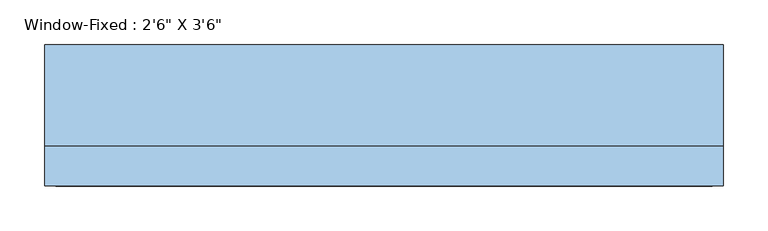
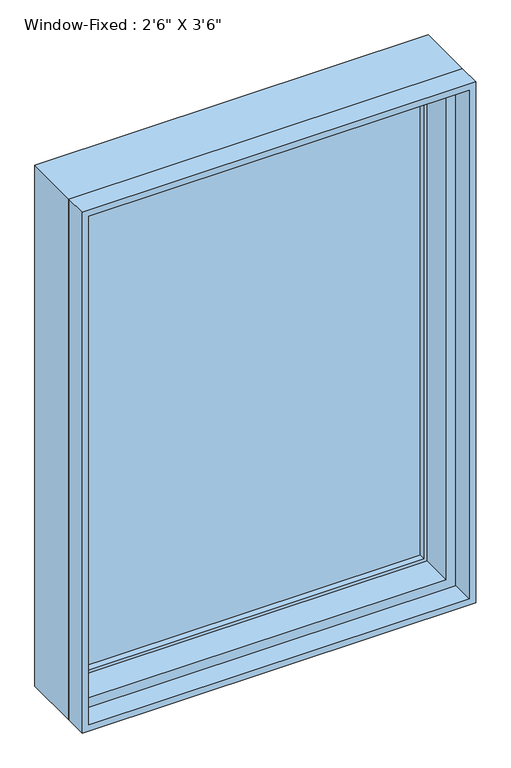
"""IFC4 building model written with IfcOpenShell, lengths in millimetres: window geometry."""

from ifc_helpers import new_model, si_unit, frame, origin, place, context, project, spatial, polyline, outline, extrude, faceted_brep, source, transform, mapped, element, save


def window_ac8965a0(model_context):
    return source(origin(), model_context, "Body", "SolidModel", [
        extrude(outline(polyline([(342.9, 69.85), (342.9, 63.5), (-342.9, 63.5), (-342.9, 69.85), (342.9, 69.85)])), frame((0.0, 0.0, 952.5), z_axis=(0.0, 0.0, 1.0), x_axis=(1.0, 0.0, 0.0)), (0.0, 0.0, 1.0), 990.6),
        extrude(outline(polyline([(-342.9, 50.8), (-342.9, 57.15), (342.9, 57.15), (342.9, 50.8), (-342.9, 50.8)])), frame((0.0, 0.0, 952.5), z_axis=(0.0, 0.0, 1.0), x_axis=(1.0, 0.0, 0.0)), (0.0, 0.0, 1.0), 990.6),
        extrude(outline(polyline([(927.1, 368.3), (1968.5, 368.3), (1968.5, -368.3), (927.1, -368.3), (927.1, 368.3)]), holes=[polyline([(952.5, -342.9), (1943.1, -342.9), (1943.1, 342.9), (952.5, 342.9), (952.5, -342.9)])]), frame((0.0, 38.1, 0.0), z_axis=(0.0, 1.0, 0.0), x_axis=(0.0, 0.0, 1.0)), (0.0, 0.0, 1.0), 44.45),
        extrude(outline(polyline([(1981.2, -381.0), (914.4, -381.0), (914.4, 381.0), (1981.2, 381.0), (1981.2, -381.0)]), holes=[polyline([(1968.5, 368.3), (927.1, 368.3), (927.1, -368.3), (1968.5, -368.3), (1968.5, 368.3)])]), frame((0.0, -69.85, 0.0), z_axis=(0.0, 1.0, 0.0), x_axis=(0.0, 0.0, 1.0)), (0.0, 0.0, 1.0), 44.45),
        faceted_brep([(381.0, -25.4, 1981.2), (381.0, 88.9, 1981.2), (-381.0, 88.9, 1981.2), (-381.0, -25.4, 1981.2), (-381.0, 88.9, 914.4), (-381.0, -25.4, 914.4), (381.0, 88.9, 914.4), (381.0, -25.4, 914.4), (349.25, -25.4, 1949.45), (349.25, -25.4, 946.15), (-349.25, -25.4, 946.15), (-349.25, -25.4, 1949.45), (-368.3, 88.9, 1968.5), (-368.3, 88.9, 927.1), (368.3, 88.9, 927.1), (368.3, 88.9, 1968.5), (349.25, 38.1, 1949.45), (-349.25, 38.1, 1949.45), (368.3, 38.1, 1968.5), (-368.3, 38.1, 1968.5), (-349.25, 38.1, 946.15), (-368.3, 38.1, 927.1), (349.25, 38.1, 946.15), (368.3, 38.1, 927.1)], [[[0, 1, 2, 3]], [[3, 2, 4, 5]], [[5, 4, 6, 7]], [[3, 5, 7, 0], [8, 9, 10, 11]], [[7, 6, 1, 0]], [[1, 6, 4, 2], [12, 13, 14, 15]], [[16, 8, 11, 17]], [[15, 18, 19, 12]], [[17, 11, 10, 20]], [[12, 19, 21, 13]], [[20, 10, 9, 22]], [[13, 21, 23, 14]], [[22, 9, 8, 16]], [[18, 23, 21, 19], [17, 20, 22, 16]], [[14, 23, 18, 15]]]),
    ])


if __name__ == "__main__":
    model = new_model("IFC4")
    model_context = context("Model", 3, world=origin())
    ifc_project = project(units=[si_unit("LENGTHUNIT", "METRE", prefix="MILLI")], contexts=[model_context])
    site = spatial("IfcSite", under=ifc_project)
    building = spatial("IfcBuilding", under=site)
    placement = place(None, origin())
    window_shape = window_ac8965a0(model_context)
    element("IfcWindow", 1, ObjectType="Window-Fixed : 2'6\" X 3'6\"", at=placement, inside=building, context=model_context, shape_type="MappedRepresentation", body=[
        mapped(window_shape, transform((0.0, 0.0, 0.0), x_axis=(1.0, 0.0, 0.0), y_axis=(0.0, 1.0, 0.0), z_axis=(0.0, 0.0, 1.0))),
    ])
    save(model, "model.ifc")
